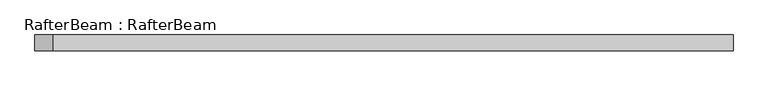
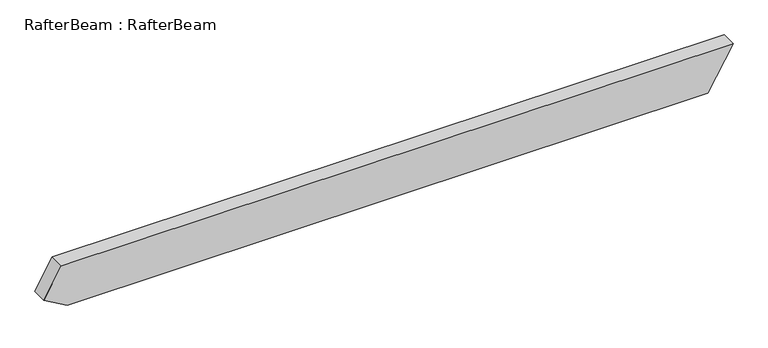
"""IFC4 building model written with IfcOpenShell, lengths in millimetres: beam geometry, RafterBeam : RafterBeam."""

from ifc_helpers import new_model, si_unit, frame, origin, place, context, project, spatial, polyline, outline, extrude, source, transform, mapped, element, save


def rafterbeam_rafterbeam_fa389e73(model_context):
    return source(origin(), model_context, "Body", "SweptSolid", [
        extrude(outline(polyline([(-70.0, 998.8159657), (70.0, 1079.6450034), (70.0, -1079.6450034), (-26.6987298, -1135.4740411), (-70.0, -1060.4740411), (-70.0, 998.8159657)])), frame((0.0, -25.0, 0.0), z_axis=(0.0, 1.0, 0.0), x_axis=(0.0, 0.0, 1.0)), (0.0, 0.0, 1.0), 50.0),
    ])


if __name__ == "__main__":
    model = new_model("IFC4")
    model_context = context("Model", 3, world=origin())
    ifc_project = project(units=[si_unit("LENGTHUNIT", "METRE", prefix="MILLI")], contexts=[model_context])
    site = spatial("IfcSite", under=ifc_project)
    building = spatial("IfcBuilding", under=site)
    placement = place(None, origin())
    rafterbeam_rafterbeam_shape = rafterbeam_rafterbeam_fa389e73(model_context)
    element("IfcBeam", 1, ObjectType="RafterBeam : RafterBeam", at=placement, inside=building, context=model_context, shape_type="MappedRepresentation", body=[
        mapped(rafterbeam_rafterbeam_shape, transform((0.0, 0.0, 0.0), x_axis=(1.0, 0.0, 0.0), y_axis=(0.0, 1.0, 0.0), z_axis=(0.0, 0.0, 1.0))),
    ])
    save(model, "model.ifc")
